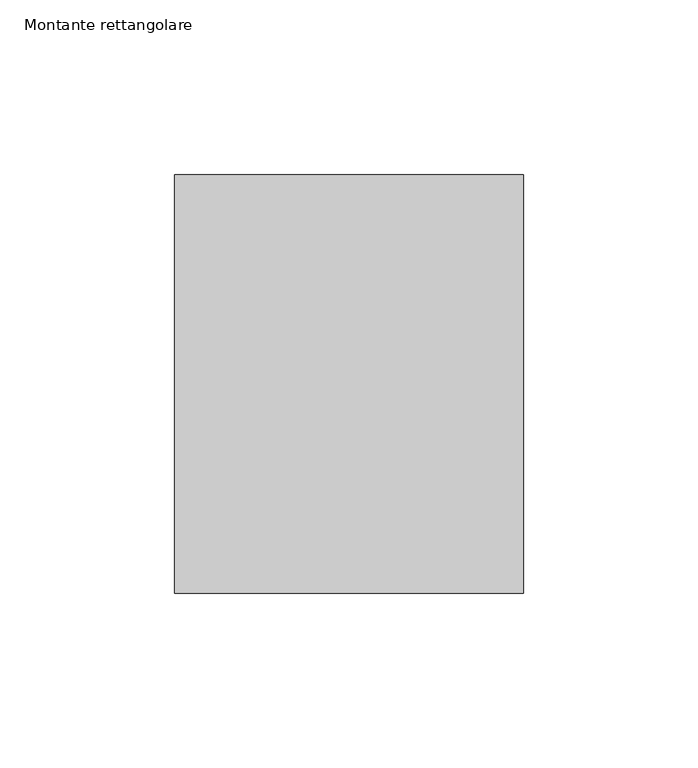
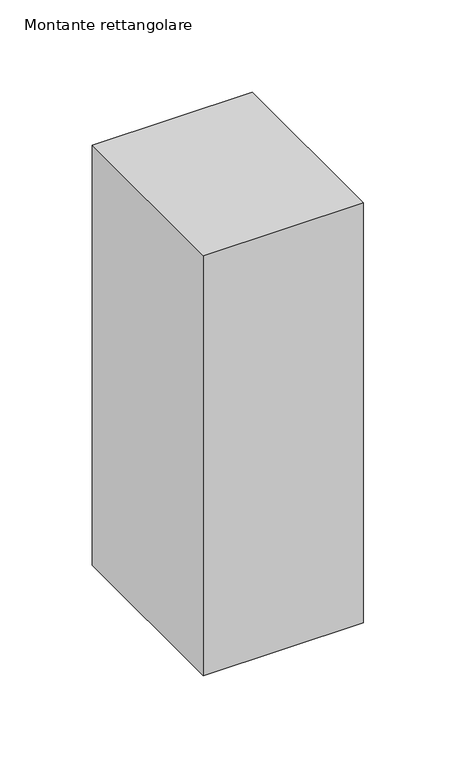
"""IFC4 building model written with IfcOpenShell, lengths in millimetres: member geometry, Montante rettangolare."""

from ifc_helpers import new_model, si_unit, frame, origin, place, context, project, spatial, polyline, outline, extrude, source, transform, mapped, element, save


def montante_rettangolare_bbdeccea(model_context):
    return source(origin(), model_context, "Body", "SweptSolid", [
        extrude(outline(polyline([(50.0, 60.0), (50.0, -60.0), (-50.0, -60.0), (-50.0, 60.0), (50.0, 60.0)])), frame((0.0, 0.0, -277.3735696), z_axis=(0.0, 0.0, 1.0), x_axis=(1.0, 0.0, 0.0)), (0.0, 0.0, 1.0), 277.3735696),
    ])


if __name__ == "__main__":
    model = new_model("IFC4")
    model_context = context("Model", 3, world=origin())
    ifc_project = project(units=[si_unit("LENGTHUNIT", "METRE", prefix="MILLI")], contexts=[model_context])
    site = spatial("IfcSite", under=ifc_project)
    building = spatial("IfcBuilding", under=site)
    placement = place(None, origin())
    montante_rettangolare_shape = montante_rettangolare_bbdeccea(model_context)
    element("IfcMember", 1, ObjectType="Montante rettangolare", at=placement, inside=building, context=model_context, shape_type="MappedRepresentation", body=[
        mapped(montante_rettangolare_shape, transform((0.0, 0.0, 0.0), x_axis=(1.0, 0.0, 0.0), y_axis=(0.0, 1.0, 0.0), z_axis=(0.0, 0.0, 1.0))),
    ])
    save(model, "model.ifc")
